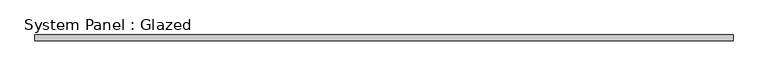
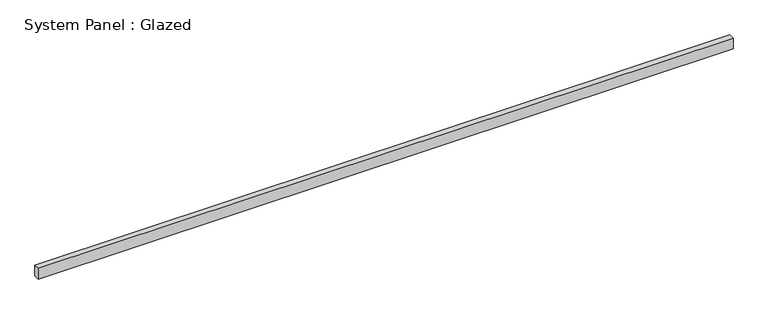
"""IFC4 building model written with IfcOpenShell, lengths in millimetres: plate geometry, System Panel : Glazed."""

import ifcopenshell
import ifcopenshell.guid

model = None  # the IFC model being written
_history = None  # IfcOwnerHistory: only IFC2X3 demands one
_inside = {}  # id of a spatial element -> (the spatial element, [elements in it])
_under = {}  # id of a project, library or spatial element -> (it, [spatial elements below it])
_declared = {}  # id of a project -> (the project, [libraries it declares])
_typed = {}  # id of a type object -> (the type object, [elements of that type])
_made_of = {}  # id of a material, layer set ... -> (it, [elements and type objects made of it])


def new_model(schema):
    """Start an empty IFC model of exactly this schema.

    Asked for "IFC4X3", IfcOpenShell would pick the latest addendum, in which some entities
    have other attributes; the version numbers below select the first issue.
    IFC2X3 requires an IfcOwnerHistory on every rooted entity: one is made here for all.
    """
    global model, _history
    if schema == "IFC4X3":
        model = ifcopenshell.file(schema_version=(4, 3, 0, 0))
    else:
        model = ifcopenshell.file(schema=schema)
    _inside.clear()
    _under.clear()
    _declared.clear()
    _typed.clear()
    _made_of.clear()
    _history = None
    if model.schema == "IFC2X3":
        org = make("IfcOrganization", Name="unknown")
        user = make(
            "IfcPersonAndOrganization",
            ThePerson=make("IfcPerson", FamilyName="unknown"),
            TheOrganization=org,
        )
        app = make(
            "IfcApplication",
            ApplicationDeveloper=org,
            Version="unknown",
            ApplicationFullName="unknown",
            ApplicationIdentifier="unknown",
        )
        _history = make(
            "IfcOwnerHistory",
            OwningUser=user,
            OwningApplication=app,
            ChangeAction="ADDED",
            CreationDate=0,
        )
    return model


def make(cls, **values):
    """One entity of the class cls with the attributes given. An attribute that is None is left unset."""
    return model.create_entity(
        cls, **{name: value for name, value in values.items() if value is not None}
    )


def rooted(cls, **values):
    """An entity with a GlobalId (a new one), such as an element, a storey or a relation."""
    return make(cls, GlobalId=ifcopenshell.guid.new(), OwnerHistory=_history, **values)


def si_unit(unit_type, name, prefix=None):
    """IfcSIUnit, for example si_unit("LENGTHUNIT", "METRE", prefix="MILLI")."""
    return make("IfcSIUnit", UnitType=unit_type, Prefix=prefix, Name=name)


def assignment(units):
    """IfcUnitAssignment: the units of a project."""
    return None if units is None else make("IfcUnitAssignment", Units=units)


def point(xyz):
    """IfcCartesianPoint."""
    return None if xyz is None else make("IfcCartesianPoint", Coordinates=xyz)


def direction(xyz):
    """IfcDirection."""
    return None if xyz is None else make("IfcDirection", DirectionRatios=xyz)


def frame(location, z_axis=None, x_axis=None):
    """IfcAxis2Placement3D, a coordinate frame: its origin and axes. An axis left out is left unset."""
    return make(
        "IfcAxis2Placement3D",
        Location=point(location),
        Axis=direction(z_axis),
        RefDirection=direction(x_axis),
    )


def origin():
    """The frame at (0, 0, 0) with its axes left unset."""
    return frame((0.0, 0.0, 0.0))


def origin_with_axes():
    """The frame at (0, 0, 0) with the z axis (0, 0, 1) and the x axis (1, 0, 0) written out."""
    return frame((0.0, 0.0, 0.0), z_axis=(0.0, 0.0, 1.0), x_axis=(1.0, 0.0, 0.0))


def place(relative_to, where):
    """IfcLocalPlacement: puts the frame where relative to a parent placement (None: the world)."""
    return make(
        "IfcLocalPlacement", PlacementRelTo=relative_to, RelativePlacement=where
    )


def context(
    kind, dimensions, precision=None, world=None, true_north=None, identifier=None
):
    """IfcGeometricRepresentationContext, for example the 3D "Model" context."""
    return make(
        "IfcGeometricRepresentationContext",
        ContextIdentifier=identifier,
        ContextType=kind,
        CoordinateSpaceDimension=dimensions,
        Precision=precision,
        WorldCoordinateSystem=world,
        TrueNorth=true_north,
    )


def project(units=None, contexts=None):
    """IfcProject with its units and contexts."""
    return rooted(
        "IfcProject",
        Name="project",
        RepresentationContexts=contexts,
        UnitsInContext=assignment(units),
    )


def spatial(cls, under=None, at=None, **own):
    """A site, building, storey or space (cls), placed at a placement, below another one or the project."""
    s = rooted(cls, ObjectPlacement=at, **own)
    if under is not None:
        _under.setdefault(under.id(), (under, []))[1].append(s)
    return s


def polyline(points):
    """IfcPolyline through the points."""
    return make("IfcPolyline", Points=[point(p) for p in points])


def outline(outer, holes=None, kind="AREA"):
    """IfcArbitraryClosedProfileDef: a profile drawn as a closed curve; with holes, ...WithVoids."""
    if holes is None:
        return make("IfcArbitraryClosedProfileDef", ProfileType=kind, OuterCurve=outer)
    return make(
        "IfcArbitraryProfileDefWithVoids",
        ProfileType=kind,
        OuterCurve=outer,
        InnerCurves=holes,
    )


def extrude(swept, where, along, depth):
    """IfcExtrudedAreaSolid: the profile swept, set in the frame where, extruded along a direction by depth."""
    return make(
        "IfcExtrudedAreaSolid",
        SweptArea=swept,
        Position=where,
        ExtrudedDirection=direction(along),
        Depth=depth,
    )


def shape(context_of_items, identifier, shape_type, items):
    """IfcShapeRepresentation: the items that make up one representation, for example the "Body"."""
    return make(
        "IfcShapeRepresentation",
        ContextOfItems=context_of_items,
        RepresentationIdentifier=identifier,
        RepresentationType=shape_type,
        Items=items,
    )


def source(mapping_origin, context_of_items, identifier, shape_type, items):
    """IfcRepresentationMap: a shape defined once, which mapped items show again and again."""
    return make(
        "IfcRepresentationMap",
        MappingOrigin=mapping_origin,
        MappedRepresentation=shape(context_of_items, identifier, shape_type, items),
    )


def transform(
    local_origin,
    x_axis=None,
    y_axis=None,
    z_axis=None,
    scale=None,
    scale2=None,
    scale3=None,
    uniform=True,
):
    """IfcCartesianTransformationOperator3D, or its non-uniform kind. x_axis, y_axis, z_axis: its Axis1, 2, 3."""
    if uniform:
        return make(
            "IfcCartesianTransformationOperator3D",
            Axis1=direction(x_axis),
            Axis2=direction(y_axis),
            LocalOrigin=point(local_origin),
            Scale=scale,
            Axis3=direction(z_axis),
        )
    return make(
        "IfcCartesianTransformationOperator3DnonUniform",
        Axis1=direction(x_axis),
        Axis2=direction(y_axis),
        LocalOrigin=point(local_origin),
        Scale=scale,
        Axis3=direction(z_axis),
        Scale2=scale2,
        Scale3=scale3,
    )


def mapped(mapping_source, mapping_target):
    """IfcMappedItem: shows the shape of a source again, moved by a transform."""
    return make(
        "IfcMappedItem", MappingSource=mapping_source, MappingTarget=mapping_target
    )


def made_of(thing, what):
    """Note that an element or type object is made of a material, layer set ...; save() writes the relation."""
    if what is not None:
        _made_of.setdefault(what.id(), (what, []))[1].append(thing)
    return thing


def element(
    cls,
    number,
    at=None,
    inside=None,
    cuts=None,
    type_object=None,
    material=None,
    context=None,
    identifier="Body",
    shape_type=None,
    held_by="IfcProductDefinitionShape",
    body=None,
    shapes=None,
    **own,
):
    """One element of the class cls, such as IfcWall. Its Tag is "e" and its number.

    at: its placement. inside: the storey or other place that contains it. cuts: it is an
    opening in that element (IfcRelVoidsElement). A single representation is given by context,
    identifier, shape_type and body (its items); several are given by shapes. held_by: the class
    of the entity that holds the representations. save() writes the other relations.
    """
    e = rooted(cls, Tag="e%d" % number, ObjectPlacement=at, **own)
    if body is not None:
        shapes = [shape(context, identifier, shape_type, body)]
    if shapes is not None:
        e.Representation = make(held_by, Representations=shapes)
    if inside is not None:
        _inside.setdefault(inside.id(), (inside, []))[1].append(e)
    if cuts is not None:
        rooted(
            "IfcRelVoidsElement", RelatingBuildingElement=cuts, RelatedOpeningElement=e
        )
    if type_object is not None:
        _typed.setdefault(type_object.id(), (type_object, []))[1].append(e)
    return made_of(e, material)


def aggregate(whole, parts):
    """IfcRelAggregates: a whole, such as a stair, and the parts it consists of."""
    return rooted("IfcRelAggregates", RelatingObject=whole, RelatedObjects=parts)


def save(model, path):
    """Write the relations noted so far, then the file.

    IfcRelAggregates (storeys below a building ...), IfcRelContainedInSpatialStructure (elements
    in a storey), IfcRelDefinesByType, IfcRelAssociatesMaterial and IfcRelDeclares: one each for
    every whole, place, type object, material and project.
    """
    for whole, parts in _under.values():
        aggregate(whole, parts)
    for where, things in _inside.values():
        rooted(
            "IfcRelContainedInSpatialStructure",
            RelatedElements=things,
            RelatingStructure=where,
        )
    for kind, things in _typed.values():
        rooted("IfcRelDefinesByType", RelatedObjects=things, RelatingType=kind)
    for what, things in _made_of.values():
        rooted("IfcRelAssociatesMaterial", RelatedObjects=things, RelatingMaterial=what)
    for by, libraries in _declared.values():
        rooted("IfcRelDeclares", RelatingContext=by, RelatedDefinitions=libraries)
    model.write(path)


def system_panel_glazed_67683905(model_context):
    return source(origin(), model_context, "Body", "SweptSolid", [
        extrude(outline(polyline([(1530.0788895, 24.5), (-1530.0788895, 24.5), (-1530.0788895, 49.5), (1530.0788895, 49.5), (1530.0788895, 24.5)])), origin_with_axes(), (0.0, 0.0, 1.0), 50.0),
    ])


if __name__ == "__main__":
    model = new_model("IFC4")
    model_context = context("Model", 3, world=origin())
    ifc_project = project(units=[si_unit("LENGTHUNIT", "METRE", prefix="MILLI")], contexts=[model_context])
    site = spatial("IfcSite", under=ifc_project)
    building = spatial("IfcBuilding", under=site)
    placement = place(None, origin())
    system_panel_glazed_shape = system_panel_glazed_67683905(model_context)
    element("IfcPlate", 1, ObjectType="System Panel : Glazed", at=placement, inside=building, context=model_context, shape_type="MappedRepresentation", body=[
        mapped(system_panel_glazed_shape, transform((0.0, 0.0, 0.0), x_axis=(1.0, 0.0, 0.0), y_axis=(0.0, 1.0, 0.0), z_axis=(0.0, 0.0, 1.0))),
    ])
    save(model, "model.ifc")
